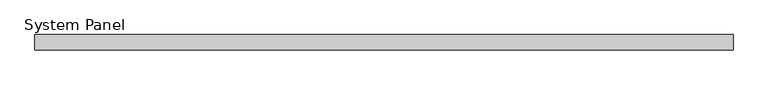
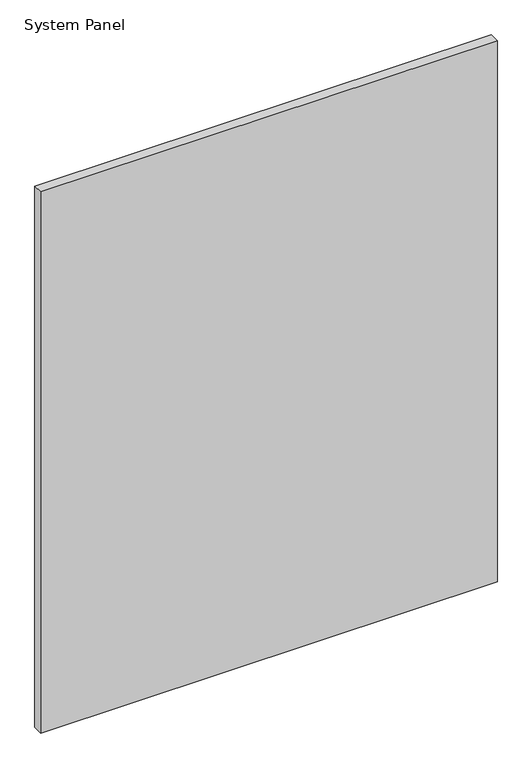
"""IFC4 building model written with IfcOpenShell, lengths in millimetres: plate geometry, System Panel."""

from ifc_helpers import new_model, si_unit, origin, origin_with_axes, place, context, project, spatial, polyline, outline, extrude, source, transform, mapped, element, save


def system_panel_fdeff078(model_context):
    return source(origin(), model_context, "Body", "SweptSolid", [
        extrude(outline(polyline([(587.1609513, -22.225), (-587.1609513, -22.225), (-587.1609513, 3.175), (587.1609513, 3.175), (587.1609513, -22.225)])), origin_with_axes(), (0.0, 0.0, 1.0), 1470.4548678),
    ])


if __name__ == "__main__":
    model = new_model("IFC4")
    model_context = context("Model", 3, world=origin())
    ifc_project = project(units=[si_unit("LENGTHUNIT", "METRE", prefix="MILLI")], contexts=[model_context])
    site = spatial("IfcSite", under=ifc_project)
    building = spatial("IfcBuilding", under=site)
    placement = place(None, origin())
    system_panel_shape = system_panel_fdeff078(model_context)
    element("IfcPlate", 1, ObjectType="System Panel", at=placement, inside=building, context=model_context, shape_type="MappedRepresentation", body=[
        mapped(system_panel_shape, transform((0.0, 0.0, 0.0), x_axis=(1.0, 0.0, 0.0), y_axis=(0.0, 1.0, 0.0), z_axis=(0.0, 0.0, 1.0))),
    ])
    save(model, "model.ifc")
